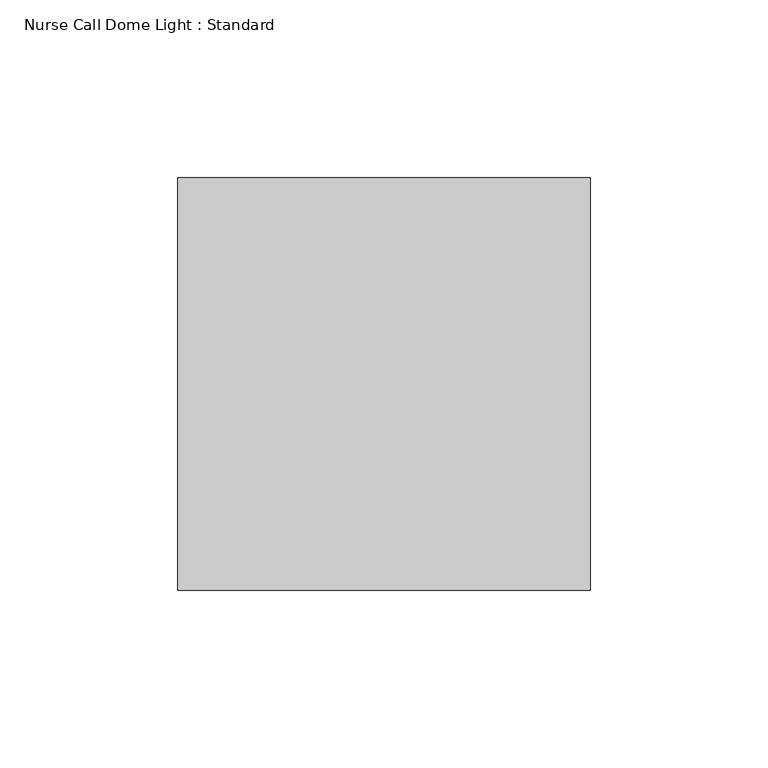
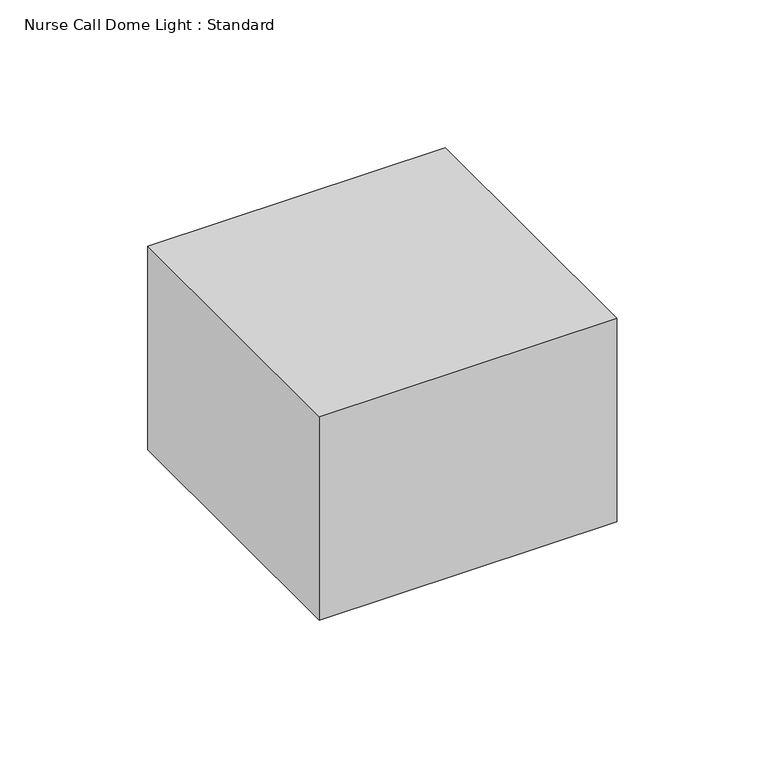
"""IFC4 building model written with IfcOpenShell, lengths in millimetres: switching device geometry, Nurse Call Dome Light : Standard."""

from ifc_helpers import new_model, si_unit, origin, origin_with_axes, place, context, project, spatial, polyline, outline, extrude, source, transform, mapped, element, save


def nurse_call_dome_light_standard_acc1adff(model_context):
    return source(origin(), model_context, "Body", "SweptSolid", [
        extrude(outline(polyline([(57.94375, 0.0), (57.94375, -115.8875), (-57.94375, -115.8875), (-57.94375, 0.0), (57.94375, 0.0)])), origin_with_axes(), (0.0, 0.0, 1.0), 83.8398437),
    ])


if __name__ == "__main__":
    model = new_model("IFC4")
    model_context = context("Model", 3, world=origin())
    ifc_project = project(units=[si_unit("LENGTHUNIT", "METRE", prefix="MILLI")], contexts=[model_context])
    site = spatial("IfcSite", under=ifc_project)
    building = spatial("IfcBuilding", under=site)
    placement = place(None, origin())
    nurse_call_dome_light_standard_shape = nurse_call_dome_light_standard_acc1adff(model_context)
    element("IfcSwitchingDevice", 1, ObjectType="Nurse Call Dome Light : Standard", at=placement, inside=building, context=model_context, shape_type="MappedRepresentation", body=[
        mapped(nurse_call_dome_light_standard_shape, transform((0.0, 0.0, 0.0), x_axis=(1.0, 0.0, 0.0), y_axis=(0.0, 1.0, 0.0), z_axis=(0.0, 0.0, 1.0))),
    ])
    save(model, "model.ifc")
